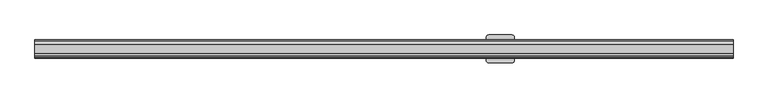
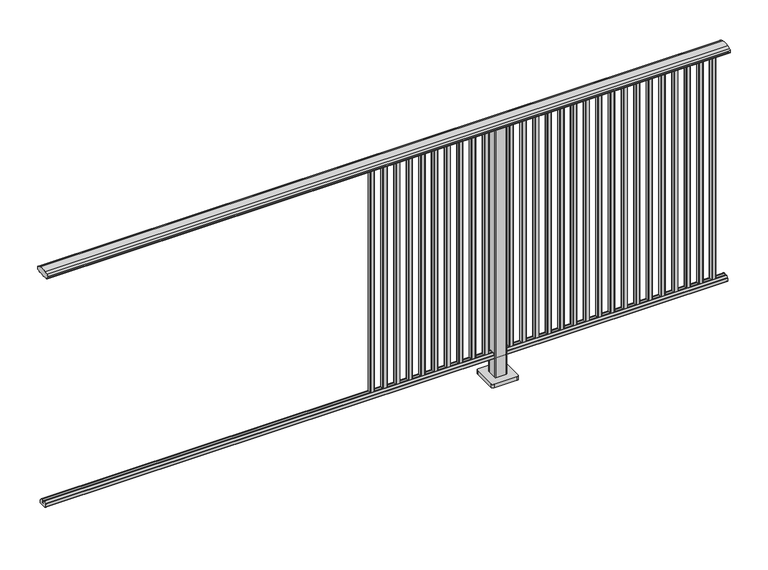
"""IFC4 building model written with IfcOpenShell, lengths in millimetres: railing geometry."""

from ifc_helpers import new_model, si_unit, point, frame, frame_2d, origin, origin_with_axes, place, context, project, spatial, polyline, circle_curve, trimmed, segment, composite_curve, outline, extrude, source, transform, mapped, element, save


def railing_fa9a6c00(model_context):
    return source(origin(), model_context, "Body", "SweptSolid", [
        extrude(outline(composite_curve([segment(trimmed(circle_curve(frame_2d((9095.3619413, 1153.851602)), 44.999996), [point((9106.0673858, 1197.5596459))], [point((9118.2601573, 1192.5901015))], False, "CARTESIAN"), True, "CONTINUOUS"), segment(trimmed(circle_curve(frame_2d((9109.6097194, 1177.955556)), 17.0), [point((9118.2601573, 1192.5901015))], [point((9124.1544589, 1186.7561556))], False, "CARTESIAN"), True, "CONTINUOUS"), segment(trimmed(circle_curve(frame_2d((9117.0959826, 1182.4852765)), 8.2499997), [point((9124.1544589, 1186.7561556))], [point((9124.1544535, 1178.2143885))], False, "CARTESIAN"), True, "CONTINUOUS"), segment(trimmed(circle_curve(frame_2d((9109.6097251, 1187.0150065)), 17.0), [point((9124.1544535, 1178.2143885))], [point((9118.2601665, 1172.380463))], False, "CARTESIAN"), True, "CONTINUOUS"), segment(trimmed(circle_curve(frame_2d((9095.3619413, 1211.1189571)), 44.999996), [point((9118.2601665, 1172.380463))], [point((9113.7876029, 1170.064181))], False, "CARTESIAN"), True, "CONTINUOUS"), segment(trimmed(circle_curve(frame_2d((9113.1786159, 1172.1635324)), 2.185896), [point((9113.7876029, 1170.064181))], [point((9112.9960148, 1169.9852766))], False, "CARTESIAN"), True, "CONTINUOUS"), segment(trimmed(circle_curve(frame_2d((9112.9960148, 1170.8852766)), 0.9), [point((9112.9960148, 1169.9852766))], [point((9112.0981091, 1170.8239135))], False, "CARTESIAN"), True, "CONTINUOUS"), segment(trimmed(circle_curve(frame_2d((9111.5194733, 1170.8239135)), 0.5786359), [point((9112.0981091, 1170.8239135))], [point((9111.5194733, 1170.2452777))], False, "CARTESIAN"), True, "CONTINUOUS"), segment(polyline([(9111.5194733, 1170.2452777), (9094.5751393, 1170.2452777)]), True, "CONTINUOUS"), segment(trimmed(circle_curve(frame_2d((9085.8508208, 1187.1238497)), 18.999998), [point((9094.5751393, 1170.2452777))], [point((9077.1265024, 1170.2452777))], False, "CARTESIAN"), True, "CONTINUOUS"), segment(polyline([(9077.1265024, 1170.2452777), (9060.1821348, 1170.2452777)]), True, "CONTINUOUS"), segment(trimmed(circle_curve(frame_2d((9060.1821348, 1170.8239135)), 0.5786359), [point((9060.1821348, 1170.2452777))], [point((9059.603499, 1170.8239135))], False, "CARTESIAN"), True, "CONTINUOUS"), segment(trimmed(circle_curve(frame_2d((9058.7055933, 1170.8852766)), 0.9), [point((9059.603499, 1170.8239135))], [point((9058.7055933, 1169.9852766))], False, "CARTESIAN"), True, "CONTINUOUS"), segment(trimmed(circle_curve(frame_2d((9058.5229922, 1172.1635324)), 2.185896), [point((9058.7055933, 1169.9852766))], [point((9057.9140052, 1170.064181))], False, "CARTESIAN"), True, "CONTINUOUS"), segment(trimmed(circle_curve(frame_2d((9076.3396668, 1211.1189571)), 44.999996), [point((9057.9140052, 1170.064181))], [point((9053.8767914, 1172.1264081))], False, "CARTESIAN"), True, "CONTINUOUS"), segment(trimmed(circle_curve(frame_2d((9062.082215, 1187.0150288)), 17.0), [point((9053.8767914, 1172.1264081))], [point((9047.5375128, 1178.2143675))], False, "CARTESIAN"), True, "CONTINUOUS"), segment(trimmed(circle_curve(frame_2d((9054.595971, 1182.4852765)), 8.2499997), [point((9047.5375128, 1178.2143675))], [point((9047.5375074, 1186.7561766))], False, "CARTESIAN"), True, "CONTINUOUS"), segment(trimmed(circle_curve(frame_2d((9062.0822207, 1177.9555337)), 17.0), [point((9047.5375074, 1186.7561766))], [point((9053.4317599, 1192.5900657))], False, "CARTESIAN"), True, "CONTINUOUS"), segment(trimmed(circle_curve(frame_2d((9076.3300365, 1153.851602)), 44.999996), [point((9053.4317599, 1192.5900657))], [point((9065.624592, 1197.5596459))], False, "CARTESIAN"), True, "CONTINUOUS"), segment(trimmed(circle_curve(frame_2d((9085.8459889, 1115.0000001)), 85.0), [point((9065.624592, 1197.5596459))], [point((9106.0673858, 1197.5596459))], False, "CARTESIAN"), True, "CONTINUOUS")], self_intersect=False)), frame((3731.3946925, 0.0, 0.0), z_axis=(1.0, 0.0, 0.0), x_axis=(0.0, 1.0, 0.0)), (0.0, 0.0, 1.0), 3000.0),
        extrude(outline(composite_curve([segment(polyline([(9101.5508136, 100.0), (9070.1507946, 100.0)]), True, "CONTINUOUS"), segment(trimmed(circle_curve(frame_2d((9070.1507946, 101.8)), 1.8), [point((9070.1507946, 100.0))], [point((9068.3507946, 101.8))], False, "CARTESIAN"), True, "CONTINUOUS"), segment(polyline([(9068.3507946, 101.8), (9068.3507946, 115.5269955)]), True, "CONTINUOUS"), segment(trimmed(circle_curve(frame_2d((9070.1507946, 115.5269955)), 1.8), [point((9068.3507946, 115.5269955))], [point((9068.7923399, 116.7079277))], False, "CARTESIAN"), True, "CONTINUOUS"), segment(polyline([(9068.7923399, 116.7079277), (9075.4626384, 124.3809322)]), True, "CONTINUOUS"), segment(trimmed(circle_curve(frame_2d((9076.8210931, 123.2)), 1.8), [point((9075.4626384, 124.3809322))], [point((9076.8210931, 125.0))], False, "CARTESIAN"), True, "CONTINUOUS"), segment(polyline([(9076.8210931, 125.0), (9080.5111113, 125.0), (9081.809143, 113.0), (9089.8924411, 113.0), (9091.1904978, 125.0), (9094.88054, 125.0)]), True, "CONTINUOUS"), segment(trimmed(circle_curve(frame_2d((9094.88054, 123.2)), 1.8), [point((9094.88054, 125.0))], [point((9096.2389969, 124.3809297))], False, "CARTESIAN"), True, "CONTINUOUS"), segment(polyline([(9096.2389969, 124.3809297), (9102.9092704, 116.7079252)]), True, "CONTINUOUS"), segment(trimmed(circle_curve(frame_2d((9101.5508136, 115.5269955)), 1.8), [point((9102.9092704, 116.7079252))], [point((9103.3508136, 115.5269955))], False, "CARTESIAN"), True, "CONTINUOUS"), segment(polyline([(9103.3508136, 115.5269955), (9103.3508136, 101.8)]), True, "CONTINUOUS"), segment(trimmed(circle_curve(frame_2d((9101.5508136, 101.8)), 1.8), [point((9103.3508136, 101.8))], [point((9101.5508136, 100.0))], False, "CARTESIAN"), True, "CONTINUOUS")], self_intersect=False)), frame((3731.3946925, 0.0, 0.0), z_axis=(1.0, 0.0, 0.0), x_axis=(0.0, 1.0, 0.0)), (0.0, 0.0, 1.0), 3000.0),
        extrude(outline(composite_curve([segment(trimmed(circle_curve(frame_2d((6668.2391355, 9093.4508236)), 1.4), [point((6666.8391355, 9093.4508236))], [point((6668.2391355, 9094.8508236))], False, "CARTESIAN"), True, "CONTINUOUS"), segment(polyline([(6668.2391355, 9094.8508236), (6683.4391385, 9094.8508236)]), True, "CONTINUOUS"), segment(trimmed(circle_curve(frame_2d((6683.4391385, 9093.4508236)), 1.4), [point((6683.4391385, 9094.8508236))], [point((6684.8391385, 9093.4508236))], False, "CARTESIAN"), True, "CONTINUOUS"), segment(polyline([(6684.8391385, 9093.4508236), (6684.8391385, 9078.2507846)]), True, "CONTINUOUS"), segment(trimmed(circle_curve(frame_2d((6683.4391385, 9078.2507846)), 1.4), [point((6684.8391385, 9078.2507846))], [point((6683.4391385, 9076.8507846))], False, "CARTESIAN"), True, "CONTINUOUS"), segment(polyline([(6683.4391385, 9076.8507846), (6668.2391355, 9076.8507846)]), True, "CONTINUOUS"), segment(trimmed(circle_curve(frame_2d((6668.2391355, 9078.2507846)), 1.4), [point((6668.2391355, 9076.8507846))], [point((6666.8391355, 9078.2507846))], False, "CARTESIAN"), True, "CONTINUOUS"), segment(polyline([(6666.8391355, 9078.2507846), (6666.8391355, 9093.4508236)]), True, "CONTINUOUS")], self_intersect=False)), frame((0.0, 0.0, 125.0), z_axis=(0.0, 0.0, 1.0), x_axis=(1.0, 0.0, 0.0)), (0.0, 0.0, 1.0), 1043.1238517),
        extrude(outline(composite_curve([segment(trimmed(circle_curve(frame_2d((6612.6835799, 9093.4508236)), 1.4), [point((6611.2835799, 9093.4508236))], [point((6612.6835799, 9094.8508236))], False, "CARTESIAN"), True, "CONTINUOUS"), segment(polyline([(6612.6835799, 9094.8508236), (6627.8835829, 9094.8508236)]), True, "CONTINUOUS"), segment(trimmed(circle_curve(frame_2d((6627.8835829, 9093.4508236)), 1.4), [point((6627.8835829, 9094.8508236))], [point((6629.2835829, 9093.4508236))], False, "CARTESIAN"), True, "CONTINUOUS"), segment(polyline([(6629.2835829, 9093.4508236), (6629.2835829, 9078.2507846)]), True, "CONTINUOUS"), segment(trimmed(circle_curve(frame_2d((6627.8835829, 9078.2507846)), 1.4), [point((6629.2835829, 9078.2507846))], [point((6627.8835829, 9076.8507846))], False, "CARTESIAN"), True, "CONTINUOUS"), segment(polyline([(6627.8835829, 9076.8507846), (6612.6835799, 9076.8507846)]), True, "CONTINUOUS"), segment(trimmed(circle_curve(frame_2d((6612.6835799, 9078.2507846)), 1.4), [point((6612.6835799, 9076.8507846))], [point((6611.2835799, 9078.2507846))], False, "CARTESIAN"), True, "CONTINUOUS"), segment(polyline([(6611.2835799, 9078.2507846), (6611.2835799, 9093.4508236)]), True, "CONTINUOUS")], self_intersect=False)), frame((0.0, 0.0, 125.0), z_axis=(0.0, 0.0, 1.0), x_axis=(1.0, 0.0, 0.0)), (0.0, 0.0, 1.0), 1043.1238517),
        extrude(outline(composite_curve([segment(trimmed(circle_curve(frame_2d((6557.1280244, 9093.4508236)), 1.4), [point((6555.7280244, 9093.4508236))], [point((6557.1280244, 9094.8508236))], False, "CARTESIAN"), True, "CONTINUOUS"), segment(polyline([(6557.1280244, 9094.8508236), (6572.3280274, 9094.8508236)]), True, "CONTINUOUS"), segment(trimmed(circle_curve(frame_2d((6572.3280274, 9093.4508236)), 1.4), [point((6572.3280274, 9094.8508236))], [point((6573.7280274, 9093.4508236))], False, "CARTESIAN"), True, "CONTINUOUS"), segment(polyline([(6573.7280274, 9093.4508236), (6573.7280274, 9078.2507846)]), True, "CONTINUOUS"), segment(trimmed(circle_curve(frame_2d((6572.3280274, 9078.2507846)), 1.4), [point((6573.7280274, 9078.2507846))], [point((6572.3280274, 9076.8507846))], False, "CARTESIAN"), True, "CONTINUOUS"), segment(polyline([(6572.3280274, 9076.8507846), (6557.1280244, 9076.8507846)]), True, "CONTINUOUS"), segment(trimmed(circle_curve(frame_2d((6557.1280244, 9078.2507846)), 1.4), [point((6557.1280244, 9076.8507846))], [point((6555.7280244, 9078.2507846))], False, "CARTESIAN"), True, "CONTINUOUS"), segment(polyline([(6555.7280244, 9078.2507846), (6555.7280244, 9093.4508236)]), True, "CONTINUOUS")], self_intersect=False)), frame((0.0, 0.0, 125.0), z_axis=(0.0, 0.0, 1.0), x_axis=(1.0, 0.0, 0.0)), (0.0, 0.0, 1.0), 1043.1238517),
        extrude(outline(composite_curve([segment(trimmed(circle_curve(frame_2d((6501.5724688, 9093.4508236)), 1.4), [point((6500.1724688, 9093.4508236))], [point((6501.5724688, 9094.8508236))], False, "CARTESIAN"), True, "CONTINUOUS"), segment(polyline([(6501.5724688, 9094.8508236), (6516.7724718, 9094.8508236)]), True, "CONTINUOUS"), segment(trimmed(circle_curve(frame_2d((6516.7724718, 9093.4508236)), 1.4), [point((6516.7724718, 9094.8508236))], [point((6518.1724718, 9093.4508236))], False, "CARTESIAN"), True, "CONTINUOUS"), segment(polyline([(6518.1724718, 9093.4508236), (6518.1724718, 9078.2507846)]), True, "CONTINUOUS"), segment(trimmed(circle_curve(frame_2d((6516.7724718, 9078.2507846)), 1.4), [point((6518.1724718, 9078.2507846))], [point((6516.7724718, 9076.8507846))], False, "CARTESIAN"), True, "CONTINUOUS"), segment(polyline([(6516.7724718, 9076.8507846), (6501.5724688, 9076.8507846)]), True, "CONTINUOUS"), segment(trimmed(circle_curve(frame_2d((6501.5724688, 9078.2507846)), 1.4), [point((6501.5724688, 9076.8507846))], [point((6500.1724688, 9078.2507846))], False, "CARTESIAN"), True, "CONTINUOUS"), segment(polyline([(6500.1724688, 9078.2507846), (6500.1724688, 9093.4508236)]), True, "CONTINUOUS")], self_intersect=False)), frame((0.0, 0.0, 125.0), z_axis=(0.0, 0.0, 1.0), x_axis=(1.0, 0.0, 0.0)), (0.0, 0.0, 1.0), 1043.1238517),
        extrude(outline(composite_curve([segment(trimmed(circle_curve(frame_2d((6446.0169133, 9093.4508236)), 1.4), [point((6444.6169133, 9093.4508236))], [point((6446.0169133, 9094.8508236))], False, "CARTESIAN"), True, "CONTINUOUS"), segment(polyline([(6446.0169133, 9094.8508236), (6461.2169163, 9094.8508236)]), True, "CONTINUOUS"), segment(trimmed(circle_curve(frame_2d((6461.2169163, 9093.4508236)), 1.4), [point((6461.2169163, 9094.8508236))], [point((6462.6169163, 9093.4508236))], False, "CARTESIAN"), True, "CONTINUOUS"), segment(polyline([(6462.6169163, 9093.4508236), (6462.6169163, 9078.2507846)]), True, "CONTINUOUS"), segment(trimmed(circle_curve(frame_2d((6461.2169163, 9078.2507846)), 1.4), [point((6462.6169163, 9078.2507846))], [point((6461.2169163, 9076.8507846))], False, "CARTESIAN"), True, "CONTINUOUS"), segment(polyline([(6461.2169163, 9076.8507846), (6446.0169133, 9076.8507846)]), True, "CONTINUOUS"), segment(trimmed(circle_curve(frame_2d((6446.0169133, 9078.2507846)), 1.4), [point((6446.0169133, 9076.8507846))], [point((6444.6169133, 9078.2507846))], False, "CARTESIAN"), True, "CONTINUOUS"), segment(polyline([(6444.6169133, 9078.2507846), (6444.6169133, 9093.4508236)]), True, "CONTINUOUS")], self_intersect=False)), frame((0.0, 0.0, 125.0), z_axis=(0.0, 0.0, 1.0), x_axis=(1.0, 0.0, 0.0)), (0.0, 0.0, 1.0), 1043.1238517),
        extrude(outline(composite_curve([segment(trimmed(circle_curve(frame_2d((6390.4613577, 9093.4508236)), 1.4), [point((6389.0613577, 9093.4508236))], [point((6390.4613577, 9094.8508236))], False, "CARTESIAN"), True, "CONTINUOUS"), segment(polyline([(6390.4613577, 9094.8508236), (6405.6613607, 9094.8508236)]), True, "CONTINUOUS"), segment(trimmed(circle_curve(frame_2d((6405.6613607, 9093.4508236)), 1.4), [point((6405.6613607, 9094.8508236))], [point((6407.0613607, 9093.4508236))], False, "CARTESIAN"), True, "CONTINUOUS"), segment(polyline([(6407.0613607, 9093.4508236), (6407.0613607, 9078.2507846)]), True, "CONTINUOUS"), segment(trimmed(circle_curve(frame_2d((6405.6613607, 9078.2507846)), 1.4), [point((6407.0613607, 9078.2507846))], [point((6405.6613607, 9076.8507846))], False, "CARTESIAN"), True, "CONTINUOUS"), segment(polyline([(6405.6613607, 9076.8507846), (6390.4613577, 9076.8507846)]), True, "CONTINUOUS"), segment(trimmed(circle_curve(frame_2d((6390.4613577, 9078.2507846)), 1.4), [point((6390.4613577, 9076.8507846))], [point((6389.0613577, 9078.2507846))], False, "CARTESIAN"), True, "CONTINUOUS"), segment(polyline([(6389.0613577, 9078.2507846), (6389.0613577, 9093.4508236)]), True, "CONTINUOUS")], self_intersect=False)), frame((0.0, 0.0, 125.0), z_axis=(0.0, 0.0, 1.0), x_axis=(1.0, 0.0, 0.0)), (0.0, 0.0, 1.0), 1043.1238517),
        extrude(outline(composite_curve([segment(trimmed(circle_curve(frame_2d((6334.9058021, 9093.4508236)), 1.4), [point((6333.5058021, 9093.4508236))], [point((6334.9058021, 9094.8508236))], False, "CARTESIAN"), True, "CONTINUOUS"), segment(polyline([(6334.9058021, 9094.8508236), (6350.1058051, 9094.8508236)]), True, "CONTINUOUS"), segment(trimmed(circle_curve(frame_2d((6350.1058051, 9093.4508236)), 1.4), [point((6350.1058051, 9094.8508236))], [point((6351.5058051, 9093.4508236))], False, "CARTESIAN"), True, "CONTINUOUS"), segment(polyline([(6351.5058051, 9093.4508236), (6351.5058051, 9078.2507846)]), True, "CONTINUOUS"), segment(trimmed(circle_curve(frame_2d((6350.1058051, 9078.2507846)), 1.4), [point((6351.5058051, 9078.2507846))], [point((6350.1058051, 9076.8507846))], False, "CARTESIAN"), True, "CONTINUOUS"), segment(polyline([(6350.1058051, 9076.8507846), (6334.9058021, 9076.8507846)]), True, "CONTINUOUS"), segment(trimmed(circle_curve(frame_2d((6334.9058021, 9078.2507846)), 1.4), [point((6334.9058021, 9076.8507846))], [point((6333.5058021, 9078.2507846))], False, "CARTESIAN"), True, "CONTINUOUS"), segment(polyline([(6333.5058021, 9078.2507846), (6333.5058021, 9093.4508236)]), True, "CONTINUOUS")], self_intersect=False)), frame((0.0, 0.0, 125.0), z_axis=(0.0, 0.0, 1.0), x_axis=(1.0, 0.0, 0.0)), (0.0, 0.0, 1.0), 1043.1238517),
        extrude(outline(composite_curve([segment(trimmed(circle_curve(frame_2d((6279.3502466, 9093.4508236)), 1.4), [point((6277.9502466, 9093.4508236))], [point((6279.3502466, 9094.8508236))], False, "CARTESIAN"), True, "CONTINUOUS"), segment(polyline([(6279.3502466, 9094.8508236), (6294.5502496, 9094.8508236)]), True, "CONTINUOUS"), segment(trimmed(circle_curve(frame_2d((6294.5502496, 9093.4508236)), 1.4), [point((6294.5502496, 9094.8508236))], [point((6295.9502496, 9093.4508236))], False, "CARTESIAN"), True, "CONTINUOUS"), segment(polyline([(6295.9502496, 9093.4508236), (6295.9502496, 9078.2507846)]), True, "CONTINUOUS"), segment(trimmed(circle_curve(frame_2d((6294.5502496, 9078.2507846)), 1.4), [point((6295.9502496, 9078.2507846))], [point((6294.5502496, 9076.8507846))], False, "CARTESIAN"), True, "CONTINUOUS"), segment(polyline([(6294.5502496, 9076.8507846), (6279.3502466, 9076.8507846)]), True, "CONTINUOUS"), segment(trimmed(circle_curve(frame_2d((6279.3502466, 9078.2507846)), 1.4), [point((6279.3502466, 9076.8507846))], [point((6277.9502466, 9078.2507846))], False, "CARTESIAN"), True, "CONTINUOUS"), segment(polyline([(6277.9502466, 9078.2507846), (6277.9502466, 9093.4508236)]), True, "CONTINUOUS")], self_intersect=False)), frame((0.0, 0.0, 125.0), z_axis=(0.0, 0.0, 1.0), x_axis=(1.0, 0.0, 0.0)), (0.0, 0.0, 1.0), 1043.1238517),
        extrude(outline(composite_curve([segment(trimmed(circle_curve(frame_2d((6223.794691, 9093.4508236)), 1.4), [point((6222.394691, 9093.4508236))], [point((6223.794691, 9094.8508236))], False, "CARTESIAN"), True, "CONTINUOUS"), segment(polyline([(6223.794691, 9094.8508236), (6238.994694, 9094.8508236)]), True, "CONTINUOUS"), segment(trimmed(circle_curve(frame_2d((6238.994694, 9093.4508236)), 1.4), [point((6238.994694, 9094.8508236))], [point((6240.394694, 9093.4508236))], False, "CARTESIAN"), True, "CONTINUOUS"), segment(polyline([(6240.394694, 9093.4508236), (6240.394694, 9078.2507846)]), True, "CONTINUOUS"), segment(trimmed(circle_curve(frame_2d((6238.994694, 9078.2507846)), 1.4), [point((6240.394694, 9078.2507846))], [point((6238.994694, 9076.8507846))], False, "CARTESIAN"), True, "CONTINUOUS"), segment(polyline([(6238.994694, 9076.8507846), (6223.794691, 9076.8507846)]), True, "CONTINUOUS"), segment(trimmed(circle_curve(frame_2d((6223.794691, 9078.2507846)), 1.4), [point((6223.794691, 9076.8507846))], [point((6222.394691, 9078.2507846))], False, "CARTESIAN"), True, "CONTINUOUS"), segment(polyline([(6222.394691, 9078.2507846), (6222.394691, 9093.4508236)]), True, "CONTINUOUS")], self_intersect=False)), frame((0.0, 0.0, 125.0), z_axis=(0.0, 0.0, 1.0), x_axis=(1.0, 0.0, 0.0)), (0.0, 0.0, 1.0), 1043.1238517),
        extrude(outline(composite_curve([segment(trimmed(circle_curve(frame_2d((6168.2391355, 9093.4508236)), 1.4), [point((6166.8391355, 9093.4508236))], [point((6168.2391355, 9094.8508236))], False, "CARTESIAN"), True, "CONTINUOUS"), segment(polyline([(6168.2391355, 9094.8508236), (6183.4391385, 9094.8508236)]), True, "CONTINUOUS"), segment(trimmed(circle_curve(frame_2d((6183.4391385, 9093.4508236)), 1.4), [point((6183.4391385, 9094.8508236))], [point((6184.8391385, 9093.4508236))], False, "CARTESIAN"), True, "CONTINUOUS"), segment(polyline([(6184.8391385, 9093.4508236), (6184.8391385, 9078.2507846)]), True, "CONTINUOUS"), segment(trimmed(circle_curve(frame_2d((6183.4391385, 9078.2507846)), 1.4), [point((6184.8391385, 9078.2507846))], [point((6183.4391385, 9076.8507846))], False, "CARTESIAN"), True, "CONTINUOUS"), segment(polyline([(6183.4391385, 9076.8507846), (6168.2391355, 9076.8507846)]), True, "CONTINUOUS"), segment(trimmed(circle_curve(frame_2d((6168.2391355, 9078.2507846)), 1.4), [point((6168.2391355, 9076.8507846))], [point((6166.8391355, 9078.2507846))], False, "CARTESIAN"), True, "CONTINUOUS"), segment(polyline([(6166.8391355, 9078.2507846), (6166.8391355, 9093.4508236)]), True, "CONTINUOUS")], self_intersect=False)), frame((0.0, 0.0, 125.0), z_axis=(0.0, 0.0, 1.0), x_axis=(1.0, 0.0, 0.0)), (0.0, 0.0, 1.0), 1043.1238517),
        extrude(outline(composite_curve([segment(trimmed(circle_curve(frame_2d((6112.6835799, 9093.4508236)), 1.4), [point((6111.2835799, 9093.4508236))], [point((6112.6835799, 9094.8508236))], False, "CARTESIAN"), True, "CONTINUOUS"), segment(polyline([(6112.6835799, 9094.8508236), (6127.8835829, 9094.8508236)]), True, "CONTINUOUS"), segment(trimmed(circle_curve(frame_2d((6127.8835829, 9093.4508236)), 1.4), [point((6127.8835829, 9094.8508236))], [point((6129.2835829, 9093.4508236))], False, "CARTESIAN"), True, "CONTINUOUS"), segment(polyline([(6129.2835829, 9093.4508236), (6129.2835829, 9078.2507846)]), True, "CONTINUOUS"), segment(trimmed(circle_curve(frame_2d((6127.8835829, 9078.2507846)), 1.4), [point((6129.2835829, 9078.2507846))], [point((6127.8835829, 9076.8507846))], False, "CARTESIAN"), True, "CONTINUOUS"), segment(polyline([(6127.8835829, 9076.8507846), (6112.6835799, 9076.8507846)]), True, "CONTINUOUS"), segment(trimmed(circle_curve(frame_2d((6112.6835799, 9078.2507846)), 1.4), [point((6112.6835799, 9076.8507846))], [point((6111.2835799, 9078.2507846))], False, "CARTESIAN"), True, "CONTINUOUS"), segment(polyline([(6111.2835799, 9078.2507846), (6111.2835799, 9093.4508236)]), True, "CONTINUOUS")], self_intersect=False)), frame((0.0, 0.0, 125.0), z_axis=(0.0, 0.0, 1.0), x_axis=(1.0, 0.0, 0.0)), (0.0, 0.0, 1.0), 1043.1238517),
        extrude(outline(composite_curve([segment(trimmed(circle_curve(frame_2d((6057.1280244, 9093.4508236)), 1.4), [point((6055.7280244, 9093.4508236))], [point((6057.1280244, 9094.8508236))], False, "CARTESIAN"), True, "CONTINUOUS"), segment(polyline([(6057.1280244, 9094.8508236), (6072.3280274, 9094.8508236)]), True, "CONTINUOUS"), segment(trimmed(circle_curve(frame_2d((6072.3280274, 9093.4508236)), 1.4), [point((6072.3280274, 9094.8508236))], [point((6073.7280274, 9093.4508236))], False, "CARTESIAN"), True, "CONTINUOUS"), segment(polyline([(6073.7280274, 9093.4508236), (6073.7280274, 9078.2507846)]), True, "CONTINUOUS"), segment(trimmed(circle_curve(frame_2d((6072.3280274, 9078.2507846)), 1.4), [point((6073.7280274, 9078.2507846))], [point((6072.3280274, 9076.8507846))], False, "CARTESIAN"), True, "CONTINUOUS"), segment(polyline([(6072.3280274, 9076.8507846), (6057.1280244, 9076.8507846)]), True, "CONTINUOUS"), segment(trimmed(circle_curve(frame_2d((6057.1280244, 9078.2507846)), 1.4), [point((6057.1280244, 9076.8507846))], [point((6055.7280244, 9078.2507846))], False, "CARTESIAN"), True, "CONTINUOUS"), segment(polyline([(6055.7280244, 9078.2507846), (6055.7280244, 9093.4508236)]), True, "CONTINUOUS")], self_intersect=False)), frame((0.0, 0.0, 125.0), z_axis=(0.0, 0.0, 1.0), x_axis=(1.0, 0.0, 0.0)), (0.0, 0.0, 1.0), 1043.1238517),
        extrude(outline(composite_curve([segment(trimmed(circle_curve(frame_2d((6001.5724688, 9093.4508236)), 1.4), [point((6000.1724688, 9093.4508236))], [point((6001.5724688, 9094.8508236))], False, "CARTESIAN"), True, "CONTINUOUS"), segment(polyline([(6001.5724688, 9094.8508236), (6016.7724718, 9094.8508236)]), True, "CONTINUOUS"), segment(trimmed(circle_curve(frame_2d((6016.7724718, 9093.4508236)), 1.4), [point((6016.7724718, 9094.8508236))], [point((6018.1724718, 9093.4508236))], False, "CARTESIAN"), True, "CONTINUOUS"), segment(polyline([(6018.1724718, 9093.4508236), (6018.1724718, 9078.2507846)]), True, "CONTINUOUS"), segment(trimmed(circle_curve(frame_2d((6016.7724718, 9078.2507846)), 1.4), [point((6018.1724718, 9078.2507846))], [point((6016.7724718, 9076.8507846))], False, "CARTESIAN"), True, "CONTINUOUS"), segment(polyline([(6016.7724718, 9076.8507846), (6001.5724688, 9076.8507846)]), True, "CONTINUOUS"), segment(trimmed(circle_curve(frame_2d((6001.5724688, 9078.2507846)), 1.4), [point((6001.5724688, 9076.8507846))], [point((6000.1724688, 9078.2507846))], False, "CARTESIAN"), True, "CONTINUOUS"), segment(polyline([(6000.1724688, 9078.2507846), (6000.1724688, 9093.4508236)]), True, "CONTINUOUS")], self_intersect=False)), frame((0.0, 0.0, 125.0), z_axis=(0.0, 0.0, 1.0), x_axis=(1.0, 0.0, 0.0)), (0.0, 0.0, 1.0), 1043.1238517),
        extrude(outline(composite_curve([segment(trimmed(circle_curve(frame_2d((5946.0169133, 9093.4508236)), 1.4), [point((5944.6169133, 9093.4508236))], [point((5946.0169133, 9094.8508236))], False, "CARTESIAN"), True, "CONTINUOUS"), segment(polyline([(5946.0169133, 9094.8508236), (5961.2169163, 9094.8508236)]), True, "CONTINUOUS"), segment(trimmed(circle_curve(frame_2d((5961.2169163, 9093.4508236)), 1.4), [point((5961.2169163, 9094.8508236))], [point((5962.6169163, 9093.4508236))], False, "CARTESIAN"), True, "CONTINUOUS"), segment(polyline([(5962.6169163, 9093.4508236), (5962.6169163, 9078.2507846)]), True, "CONTINUOUS"), segment(trimmed(circle_curve(frame_2d((5961.2169163, 9078.2507846)), 1.4), [point((5962.6169163, 9078.2507846))], [point((5961.2169163, 9076.8507846))], False, "CARTESIAN"), True, "CONTINUOUS"), segment(polyline([(5961.2169163, 9076.8507846), (5946.0169133, 9076.8507846)]), True, "CONTINUOUS"), segment(trimmed(circle_curve(frame_2d((5946.0169133, 9078.2507846)), 1.4), [point((5946.0169133, 9076.8507846))], [point((5944.6169133, 9078.2507846))], False, "CARTESIAN"), True, "CONTINUOUS"), segment(polyline([(5944.6169133, 9078.2507846), (5944.6169133, 9093.4508236)]), True, "CONTINUOUS")], self_intersect=False)), frame((0.0, 0.0, 125.0), z_axis=(0.0, 0.0, 1.0), x_axis=(1.0, 0.0, 0.0)), (0.0, 0.0, 1.0), 1043.1238517),
        extrude(outline(composite_curve([segment(trimmed(circle_curve(frame_2d((5890.4613577, 9093.4508236)), 1.4), [point((5889.0613577, 9093.4508236))], [point((5890.4613577, 9094.8508236))], False, "CARTESIAN"), True, "CONTINUOUS"), segment(polyline([(5890.4613577, 9094.8508236), (5905.6613607, 9094.8508236)]), True, "CONTINUOUS"), segment(trimmed(circle_curve(frame_2d((5905.6613607, 9093.4508236)), 1.4), [point((5905.6613607, 9094.8508236))], [point((5907.0613607, 9093.4508236))], False, "CARTESIAN"), True, "CONTINUOUS"), segment(polyline([(5907.0613607, 9093.4508236), (5907.0613607, 9078.2507846)]), True, "CONTINUOUS"), segment(trimmed(circle_curve(frame_2d((5905.6613607, 9078.2507846)), 1.4), [point((5907.0613607, 9078.2507846))], [point((5905.6613607, 9076.8507846))], False, "CARTESIAN"), True, "CONTINUOUS"), segment(polyline([(5905.6613607, 9076.8507846), (5890.4613577, 9076.8507846)]), True, "CONTINUOUS"), segment(trimmed(circle_curve(frame_2d((5890.4613577, 9078.2507846)), 1.4), [point((5890.4613577, 9076.8507846))], [point((5889.0613577, 9078.2507846))], False, "CARTESIAN"), True, "CONTINUOUS"), segment(polyline([(5889.0613577, 9078.2507846), (5889.0613577, 9093.4508236)]), True, "CONTINUOUS")], self_intersect=False)), frame((0.0, 0.0, 125.0), z_axis=(0.0, 0.0, 1.0), x_axis=(1.0, 0.0, 0.0)), (0.0, 0.0, 1.0), 1043.1238517),
        extrude(outline(composite_curve([segment(trimmed(circle_curve(frame_2d((5834.9058021, 9093.4508236)), 1.4), [point((5833.5058021, 9093.4508236))], [point((5834.9058021, 9094.8508236))], False, "CARTESIAN"), True, "CONTINUOUS"), segment(polyline([(5834.9058021, 9094.8508236), (5850.1058051, 9094.8508236)]), True, "CONTINUOUS"), segment(trimmed(circle_curve(frame_2d((5850.1058051, 9093.4508236)), 1.4), [point((5850.1058051, 9094.8508236))], [point((5851.5058051, 9093.4508236))], False, "CARTESIAN"), True, "CONTINUOUS"), segment(polyline([(5851.5058051, 9093.4508236), (5851.5058051, 9078.2507846)]), True, "CONTINUOUS"), segment(trimmed(circle_curve(frame_2d((5850.1058051, 9078.2507846)), 1.4), [point((5851.5058051, 9078.2507846))], [point((5850.1058051, 9076.8507846))], False, "CARTESIAN"), True, "CONTINUOUS"), segment(polyline([(5850.1058051, 9076.8507846), (5834.9058021, 9076.8507846)]), True, "CONTINUOUS"), segment(trimmed(circle_curve(frame_2d((5834.9058021, 9078.2507846)), 1.4), [point((5834.9058021, 9076.8507846))], [point((5833.5058021, 9078.2507846))], False, "CARTESIAN"), True, "CONTINUOUS"), segment(polyline([(5833.5058021, 9078.2507846), (5833.5058021, 9093.4508236)]), True, "CONTINUOUS")], self_intersect=False)), frame((0.0, 0.0, 125.0), z_axis=(0.0, 0.0, 1.0), x_axis=(1.0, 0.0, 0.0)), (0.0, 0.0, 1.0), 1043.1238517),
        extrude(outline(composite_curve([segment(trimmed(circle_curve(frame_2d((5779.3502466, 9093.4508236)), 1.4), [point((5777.9502466, 9093.4508236))], [point((5779.3502466, 9094.8508236))], False, "CARTESIAN"), True, "CONTINUOUS"), segment(polyline([(5779.3502466, 9094.8508236), (5794.5502496, 9094.8508236)]), True, "CONTINUOUS"), segment(trimmed(circle_curve(frame_2d((5794.5502496, 9093.4508236)), 1.4), [point((5794.5502496, 9094.8508236))], [point((5795.9502496, 9093.4508236))], False, "CARTESIAN"), True, "CONTINUOUS"), segment(polyline([(5795.9502496, 9093.4508236), (5795.9502496, 9078.2507846)]), True, "CONTINUOUS"), segment(trimmed(circle_curve(frame_2d((5794.5502496, 9078.2507846)), 1.4), [point((5795.9502496, 9078.2507846))], [point((5794.5502496, 9076.8507846))], False, "CARTESIAN"), True, "CONTINUOUS"), segment(polyline([(5794.5502496, 9076.8507846), (5779.3502466, 9076.8507846)]), True, "CONTINUOUS"), segment(trimmed(circle_curve(frame_2d((5779.3502466, 9078.2507846)), 1.4), [point((5779.3502466, 9076.8507846))], [point((5777.9502466, 9078.2507846))], False, "CARTESIAN"), True, "CONTINUOUS"), segment(polyline([(5777.9502466, 9078.2507846), (5777.9502466, 9093.4508236)]), True, "CONTINUOUS")], self_intersect=False)), frame((0.0, 0.0, 125.0), z_axis=(0.0, 0.0, 1.0), x_axis=(1.0, 0.0, 0.0)), (0.0, 0.0, 1.0), 1043.1238517),
        extrude(outline(composite_curve([segment(trimmed(circle_curve(frame_2d((5708.994681, 9108.2508266)), 3.0), [point((5705.994681, 9108.2508266))], [point((5708.994681, 9111.2508266))], False, "CARTESIAN"), True, "CONTINUOUS"), segment(polyline([(5708.994681, 9111.2508266), (5753.794704, 9111.2508266)]), True, "CONTINUOUS"), segment(trimmed(circle_curve(frame_2d((5753.794704, 9108.2508266)), 3.0), [point((5753.794704, 9111.2508266))], [point((5756.794704, 9108.2508266))], False, "CARTESIAN"), True, "CONTINUOUS"), segment(polyline([(5756.794704, 9108.2508266), (5756.794704, 9063.4508036)]), True, "CONTINUOUS"), segment(trimmed(circle_curve(frame_2d((5753.794704, 9063.4508036)), 3.0), [point((5756.794704, 9063.4508036))], [point((5753.794704, 9060.4508036))], False, "CARTESIAN"), True, "CONTINUOUS"), segment(polyline([(5753.794704, 9060.4508036), (5708.994681, 9060.4508036)]), True, "CONTINUOUS"), segment(trimmed(circle_curve(frame_2d((5708.994681, 9063.4508036)), 3.0), [point((5708.994681, 9060.4508036))], [point((5705.994681, 9063.4508036))], False, "CARTESIAN"), True, "CONTINUOUS"), segment(polyline([(5705.994681, 9063.4508036), (5705.994681, 9108.2508266)]), True, "CONTINUOUS")], self_intersect=False)), frame((0.0, 0.0, 16.0), z_axis=(0.0, 0.0, 1.0), x_axis=(1.0, 0.0, 0.0)), (0.0, 0.0, 1.0), 1152.1238517),
        extrude(outline(composite_curve([segment(trimmed(circle_curve(frame_2d((5681.394681, 9135.8508151)), 10.0), [point((5671.394681, 9135.8508151))], [point((5681.394681, 9145.8508151))], False, "CARTESIAN"), True, "CONTINUOUS"), segment(polyline([(5681.394681, 9145.8508151), (5781.394681, 9145.8508151)]), True, "CONTINUOUS"), segment(trimmed(circle_curve(frame_2d((5781.394681, 9135.8508151)), 10.0), [point((5781.394681, 9145.8508151))], [point((5791.394681, 9135.8508151))], False, "CARTESIAN"), True, "CONTINUOUS"), segment(polyline([(5791.394681, 9135.8508151), (5791.394681, 9035.8508151)]), True, "CONTINUOUS"), segment(trimmed(circle_curve(frame_2d((5781.394681, 9035.8508151)), 10.0), [point((5791.394681, 9035.8508151))], [point((5781.394681, 9025.8508151))], False, "CARTESIAN"), True, "CONTINUOUS"), segment(polyline([(5781.394681, 9025.8508151), (5681.394681, 9025.8508151)]), True, "CONTINUOUS"), segment(trimmed(circle_curve(frame_2d((5681.394681, 9035.8508151)), 10.0), [point((5681.394681, 9025.8508151))], [point((5671.394681, 9035.8508151))], False, "CARTESIAN"), True, "CONTINUOUS"), segment(polyline([(5671.394681, 9035.8508151), (5671.394681, 9135.8508151)]), True, "CONTINUOUS")], self_intersect=False)), origin_with_axes(), (0.0, 0.0, 1.0), 16.0),
        extrude(outline(composite_curve([segment(trimmed(circle_curve(frame_2d((5668.2391355, 9093.4508236)), 1.4), [point((5666.8391355, 9093.4508236))], [point((5668.2391355, 9094.8508236))], False, "CARTESIAN"), True, "CONTINUOUS"), segment(polyline([(5668.2391355, 9094.8508236), (5683.4391385, 9094.8508236)]), True, "CONTINUOUS"), segment(trimmed(circle_curve(frame_2d((5683.4391385, 9093.4508236)), 1.4), [point((5683.4391385, 9094.8508236))], [point((5684.8391385, 9093.4508236))], False, "CARTESIAN"), True, "CONTINUOUS"), segment(polyline([(5684.8391385, 9093.4508236), (5684.8391385, 9078.2507846)]), True, "CONTINUOUS"), segment(trimmed(circle_curve(frame_2d((5683.4391385, 9078.2507846)), 1.4), [point((5684.8391385, 9078.2507846))], [point((5683.4391385, 9076.8507846))], False, "CARTESIAN"), True, "CONTINUOUS"), segment(polyline([(5683.4391385, 9076.8507846), (5668.2391355, 9076.8507846)]), True, "CONTINUOUS"), segment(trimmed(circle_curve(frame_2d((5668.2391355, 9078.2507846)), 1.4), [point((5668.2391355, 9076.8507846))], [point((5666.8391355, 9078.2507846))], False, "CARTESIAN"), True, "CONTINUOUS"), segment(polyline([(5666.8391355, 9078.2507846), (5666.8391355, 9093.4508236)]), True, "CONTINUOUS")], self_intersect=False)), frame((0.0, 0.0, 125.0), z_axis=(0.0, 0.0, 1.0), x_axis=(1.0, 0.0, 0.0)), (0.0, 0.0, 1.0), 1043.1238517),
        extrude(outline(composite_curve([segment(trimmed(circle_curve(frame_2d((5612.6835799, 9093.4508236)), 1.4), [point((5611.2835799, 9093.4508236))], [point((5612.6835799, 9094.8508236))], False, "CARTESIAN"), True, "CONTINUOUS"), segment(polyline([(5612.6835799, 9094.8508236), (5627.8835829, 9094.8508236)]), True, "CONTINUOUS"), segment(trimmed(circle_curve(frame_2d((5627.8835829, 9093.4508236)), 1.4), [point((5627.8835829, 9094.8508236))], [point((5629.2835829, 9093.4508236))], False, "CARTESIAN"), True, "CONTINUOUS"), segment(polyline([(5629.2835829, 9093.4508236), (5629.2835829, 9078.2507846)]), True, "CONTINUOUS"), segment(trimmed(circle_curve(frame_2d((5627.8835829, 9078.2507846)), 1.4), [point((5629.2835829, 9078.2507846))], [point((5627.8835829, 9076.8507846))], False, "CARTESIAN"), True, "CONTINUOUS"), segment(polyline([(5627.8835829, 9076.8507846), (5612.6835799, 9076.8507846)]), True, "CONTINUOUS"), segment(trimmed(circle_curve(frame_2d((5612.6835799, 9078.2507846)), 1.4), [point((5612.6835799, 9076.8507846))], [point((5611.2835799, 9078.2507846))], False, "CARTESIAN"), True, "CONTINUOUS"), segment(polyline([(5611.2835799, 9078.2507846), (5611.2835799, 9093.4508236)]), True, "CONTINUOUS")], self_intersect=False)), frame((0.0, 0.0, 125.0), z_axis=(0.0, 0.0, 1.0), x_axis=(1.0, 0.0, 0.0)), (0.0, 0.0, 1.0), 1043.1238517),
        extrude(outline(composite_curve([segment(trimmed(circle_curve(frame_2d((5557.1280244, 9093.4508236)), 1.4), [point((5555.7280244, 9093.4508236))], [point((5557.1280244, 9094.8508236))], False, "CARTESIAN"), True, "CONTINUOUS"), segment(polyline([(5557.1280244, 9094.8508236), (5572.3280274, 9094.8508236)]), True, "CONTINUOUS"), segment(trimmed(circle_curve(frame_2d((5572.3280274, 9093.4508236)), 1.4), [point((5572.3280274, 9094.8508236))], [point((5573.7280274, 9093.4508236))], False, "CARTESIAN"), True, "CONTINUOUS"), segment(polyline([(5573.7280274, 9093.4508236), (5573.7280274, 9078.2507846)]), True, "CONTINUOUS"), segment(trimmed(circle_curve(frame_2d((5572.3280274, 9078.2507846)), 1.4), [point((5573.7280274, 9078.2507846))], [point((5572.3280274, 9076.8507846))], False, "CARTESIAN"), True, "CONTINUOUS"), segment(polyline([(5572.3280274, 9076.8507846), (5557.1280244, 9076.8507846)]), True, "CONTINUOUS"), segment(trimmed(circle_curve(frame_2d((5557.1280244, 9078.2507846)), 1.4), [point((5557.1280244, 9076.8507846))], [point((5555.7280244, 9078.2507846))], False, "CARTESIAN"), True, "CONTINUOUS"), segment(polyline([(5555.7280244, 9078.2507846), (5555.7280244, 9093.4508236)]), True, "CONTINUOUS")], self_intersect=False)), frame((0.0, 0.0, 125.0), z_axis=(0.0, 0.0, 1.0), x_axis=(1.0, 0.0, 0.0)), (0.0, 0.0, 1.0), 1043.1238517),
        extrude(outline(composite_curve([segment(trimmed(circle_curve(frame_2d((5501.5724688, 9093.4508236)), 1.4), [point((5500.1724688, 9093.4508236))], [point((5501.5724688, 9094.8508236))], False, "CARTESIAN"), True, "CONTINUOUS"), segment(polyline([(5501.5724688, 9094.8508236), (5516.7724718, 9094.8508236)]), True, "CONTINUOUS"), segment(trimmed(circle_curve(frame_2d((5516.7724718, 9093.4508236)), 1.4), [point((5516.7724718, 9094.8508236))], [point((5518.1724718, 9093.4508236))], False, "CARTESIAN"), True, "CONTINUOUS"), segment(polyline([(5518.1724718, 9093.4508236), (5518.1724718, 9078.2507846)]), True, "CONTINUOUS"), segment(trimmed(circle_curve(frame_2d((5516.7724718, 9078.2507846)), 1.4), [point((5518.1724718, 9078.2507846))], [point((5516.7724718, 9076.8507846))], False, "CARTESIAN"), True, "CONTINUOUS"), segment(polyline([(5516.7724718, 9076.8507846), (5501.5724688, 9076.8507846)]), True, "CONTINUOUS"), segment(trimmed(circle_curve(frame_2d((5501.5724688, 9078.2507846)), 1.4), [point((5501.5724688, 9076.8507846))], [point((5500.1724688, 9078.2507846))], False, "CARTESIAN"), True, "CONTINUOUS"), segment(polyline([(5500.1724688, 9078.2507846), (5500.1724688, 9093.4508236)]), True, "CONTINUOUS")], self_intersect=False)), frame((0.0, 0.0, 125.0), z_axis=(0.0, 0.0, 1.0), x_axis=(1.0, 0.0, 0.0)), (0.0, 0.0, 1.0), 1043.1238517),
        extrude(outline(composite_curve([segment(trimmed(circle_curve(frame_2d((5446.0169133, 9093.4508236)), 1.4), [point((5444.6169133, 9093.4508236))], [point((5446.0169133, 9094.8508236))], False, "CARTESIAN"), True, "CONTINUOUS"), segment(polyline([(5446.0169133, 9094.8508236), (5461.2169163, 9094.8508236)]), True, "CONTINUOUS"), segment(trimmed(circle_curve(frame_2d((5461.2169163, 9093.4508236)), 1.4), [point((5461.2169163, 9094.8508236))], [point((5462.6169163, 9093.4508236))], False, "CARTESIAN"), True, "CONTINUOUS"), segment(polyline([(5462.6169163, 9093.4508236), (5462.6169163, 9078.2507846)]), True, "CONTINUOUS"), segment(trimmed(circle_curve(frame_2d((5461.2169163, 9078.2507846)), 1.4), [point((5462.6169163, 9078.2507846))], [point((5461.2169163, 9076.8507846))], False, "CARTESIAN"), True, "CONTINUOUS"), segment(polyline([(5461.2169163, 9076.8507846), (5446.0169133, 9076.8507846)]), True, "CONTINUOUS"), segment(trimmed(circle_curve(frame_2d((5446.0169133, 9078.2507846)), 1.4), [point((5446.0169133, 9076.8507846))], [point((5444.6169133, 9078.2507846))], False, "CARTESIAN"), True, "CONTINUOUS"), segment(polyline([(5444.6169133, 9078.2507846), (5444.6169133, 9093.4508236)]), True, "CONTINUOUS")], self_intersect=False)), frame((0.0, 0.0, 125.0), z_axis=(0.0, 0.0, 1.0), x_axis=(1.0, 0.0, 0.0)), (0.0, 0.0, 1.0), 1043.1238517),
        extrude(outline(composite_curve([segment(trimmed(circle_curve(frame_2d((5390.4613577, 9093.4508236)), 1.4), [point((5389.0613577, 9093.4508236))], [point((5390.4613577, 9094.8508236))], False, "CARTESIAN"), True, "CONTINUOUS"), segment(polyline([(5390.4613577, 9094.8508236), (5405.6613607, 9094.8508236)]), True, "CONTINUOUS"), segment(trimmed(circle_curve(frame_2d((5405.6613607, 9093.4508236)), 1.4), [point((5405.6613607, 9094.8508236))], [point((5407.0613607, 9093.4508236))], False, "CARTESIAN"), True, "CONTINUOUS"), segment(polyline([(5407.0613607, 9093.4508236), (5407.0613607, 9078.2507846)]), True, "CONTINUOUS"), segment(trimmed(circle_curve(frame_2d((5405.6613607, 9078.2507846)), 1.4), [point((5407.0613607, 9078.2507846))], [point((5405.6613607, 9076.8507846))], False, "CARTESIAN"), True, "CONTINUOUS"), segment(polyline([(5405.6613607, 9076.8507846), (5390.4613577, 9076.8507846)]), True, "CONTINUOUS"), segment(trimmed(circle_curve(frame_2d((5390.4613577, 9078.2507846)), 1.4), [point((5390.4613577, 9076.8507846))], [point((5389.0613577, 9078.2507846))], False, "CARTESIAN"), True, "CONTINUOUS"), segment(polyline([(5389.0613577, 9078.2507846), (5389.0613577, 9093.4508236)]), True, "CONTINUOUS")], self_intersect=False)), frame((0.0, 0.0, 125.0), z_axis=(0.0, 0.0, 1.0), x_axis=(1.0, 0.0, 0.0)), (0.0, 0.0, 1.0), 1043.1238517),
        extrude(outline(composite_curve([segment(trimmed(circle_curve(frame_2d((5334.9058021, 9093.4508236)), 1.4), [point((5333.5058021, 9093.4508236))], [point((5334.9058021, 9094.8508236))], False, "CARTESIAN"), True, "CONTINUOUS"), segment(polyline([(5334.9058021, 9094.8508236), (5350.1058051, 9094.8508236)]), True, "CONTINUOUS"), segment(trimmed(circle_curve(frame_2d((5350.1058051, 9093.4508236)), 1.4), [point((5350.1058051, 9094.8508236))], [point((5351.5058051, 9093.4508236))], False, "CARTESIAN"), True, "CONTINUOUS"), segment(polyline([(5351.5058051, 9093.4508236), (5351.5058051, 9078.2507846)]), True, "CONTINUOUS"), segment(trimmed(circle_curve(frame_2d((5350.1058051, 9078.2507846)), 1.4), [point((5351.5058051, 9078.2507846))], [point((5350.1058051, 9076.8507846))], False, "CARTESIAN"), True, "CONTINUOUS"), segment(polyline([(5350.1058051, 9076.8507846), (5334.9058021, 9076.8507846)]), True, "CONTINUOUS"), segment(trimmed(circle_curve(frame_2d((5334.9058021, 9078.2507846)), 1.4), [point((5334.9058021, 9076.8507846))], [point((5333.5058021, 9078.2507846))], False, "CARTESIAN"), True, "CONTINUOUS"), segment(polyline([(5333.5058021, 9078.2507846), (5333.5058021, 9093.4508236)]), True, "CONTINUOUS")], self_intersect=False)), frame((0.0, 0.0, 125.0), z_axis=(0.0, 0.0, 1.0), x_axis=(1.0, 0.0, 0.0)), (0.0, 0.0, 1.0), 1043.1238517),
        extrude(outline(composite_curve([segment(trimmed(circle_curve(frame_2d((5279.3502466, 9093.4508236)), 1.4), [point((5277.9502466, 9093.4508236))], [point((5279.3502466, 9094.8508236))], False, "CARTESIAN"), True, "CONTINUOUS"), segment(polyline([(5279.3502466, 9094.8508236), (5294.5502496, 9094.8508236)]), True, "CONTINUOUS"), segment(trimmed(circle_curve(frame_2d((5294.5502496, 9093.4508236)), 1.4), [point((5294.5502496, 9094.8508236))], [point((5295.9502496, 9093.4508236))], False, "CARTESIAN"), True, "CONTINUOUS"), segment(polyline([(5295.9502496, 9093.4508236), (5295.9502496, 9078.2507846)]), True, "CONTINUOUS"), segment(trimmed(circle_curve(frame_2d((5294.5502496, 9078.2507846)), 1.4), [point((5295.9502496, 9078.2507846))], [point((5294.5502496, 9076.8507846))], False, "CARTESIAN"), True, "CONTINUOUS"), segment(polyline([(5294.5502496, 9076.8507846), (5279.3502466, 9076.8507846)]), True, "CONTINUOUS"), segment(trimmed(circle_curve(frame_2d((5279.3502466, 9078.2507846)), 1.4), [point((5279.3502466, 9076.8507846))], [point((5277.9502466, 9078.2507846))], False, "CARTESIAN"), True, "CONTINUOUS"), segment(polyline([(5277.9502466, 9078.2507846), (5277.9502466, 9093.4508236)]), True, "CONTINUOUS")], self_intersect=False)), frame((0.0, 0.0, 125.0), z_axis=(0.0, 0.0, 1.0), x_axis=(1.0, 0.0, 0.0)), (0.0, 0.0, 1.0), 1043.1238517),
        extrude(outline(composite_curve([segment(trimmed(circle_curve(frame_2d((5223.794691, 9093.4508236)), 1.4), [point((5222.394691, 9093.4508236))], [point((5223.794691, 9094.8508236))], False, "CARTESIAN"), True, "CONTINUOUS"), segment(polyline([(5223.794691, 9094.8508236), (5238.994694, 9094.8508236)]), True, "CONTINUOUS"), segment(trimmed(circle_curve(frame_2d((5238.994694, 9093.4508236)), 1.4), [point((5238.994694, 9094.8508236))], [point((5240.394694, 9093.4508236))], False, "CARTESIAN"), True, "CONTINUOUS"), segment(polyline([(5240.394694, 9093.4508236), (5240.394694, 9078.2507846)]), True, "CONTINUOUS"), segment(trimmed(circle_curve(frame_2d((5238.994694, 9078.2507846)), 1.4), [point((5240.394694, 9078.2507846))], [point((5238.994694, 9076.8507846))], False, "CARTESIAN"), True, "CONTINUOUS"), segment(polyline([(5238.994694, 9076.8507846), (5223.794691, 9076.8507846)]), True, "CONTINUOUS"), segment(trimmed(circle_curve(frame_2d((5223.794691, 9078.2507846)), 1.4), [point((5223.794691, 9076.8507846))], [point((5222.394691, 9078.2507846))], False, "CARTESIAN"), True, "CONTINUOUS"), segment(polyline([(5222.394691, 9078.2507846), (5222.394691, 9093.4508236)]), True, "CONTINUOUS")], self_intersect=False)), frame((0.0, 0.0, 125.0), z_axis=(0.0, 0.0, 1.0), x_axis=(1.0, 0.0, 0.0)), (0.0, 0.0, 1.0), 1043.1238517),
        extrude(outline(composite_curve([segment(trimmed(circle_curve(frame_2d((5168.2391355, 9093.4508236)), 1.4), [point((5166.8391355, 9093.4508236))], [point((5168.2391355, 9094.8508236))], False, "CARTESIAN"), True, "CONTINUOUS"), segment(polyline([(5168.2391355, 9094.8508236), (5183.4391385, 9094.8508236)]), True, "CONTINUOUS"), segment(trimmed(circle_curve(frame_2d((5183.4391385, 9093.4508236)), 1.4), [point((5183.4391385, 9094.8508236))], [point((5184.8391385, 9093.4508236))], False, "CARTESIAN"), True, "CONTINUOUS"), segment(polyline([(5184.8391385, 9093.4508236), (5184.8391385, 9078.2507846)]), True, "CONTINUOUS"), segment(trimmed(circle_curve(frame_2d((5183.4391385, 9078.2507846)), 1.4), [point((5184.8391385, 9078.2507846))], [point((5183.4391385, 9076.8507846))], False, "CARTESIAN"), True, "CONTINUOUS"), segment(polyline([(5183.4391385, 9076.8507846), (5168.2391355, 9076.8507846)]), True, "CONTINUOUS"), segment(trimmed(circle_curve(frame_2d((5168.2391355, 9078.2507846)), 1.4), [point((5168.2391355, 9076.8507846))], [point((5166.8391355, 9078.2507846))], False, "CARTESIAN"), True, "CONTINUOUS"), segment(polyline([(5166.8391355, 9078.2507846), (5166.8391355, 9093.4508236)]), True, "CONTINUOUS")], self_intersect=False)), frame((0.0, 0.0, 125.0), z_axis=(0.0, 0.0, 1.0), x_axis=(1.0, 0.0, 0.0)), (0.0, 0.0, 1.0), 1043.1238517),
    ])


if __name__ == "__main__":
    model = new_model("IFC4")
    model_context = context("Model", 3, world=origin())
    ifc_project = project(units=[si_unit("LENGTHUNIT", "METRE", prefix="MILLI")], contexts=[model_context])
    site = spatial("IfcSite", under=ifc_project)
    building = spatial("IfcBuilding", under=site)
    placement = place(None, origin())
    railing_shape = railing_fa9a6c00(model_context)
    element("IfcRailing", 1, at=placement, inside=building, context=model_context, shape_type="MappedRepresentation", body=[
        mapped(railing_shape, transform((0.0, 0.0, 0.0), x_axis=(1.0, 0.0, 0.0), y_axis=(0.0, 1.0, 0.0), z_axis=(0.0, 0.0, 1.0))),
    ])
    save(model, "model.ifc")
